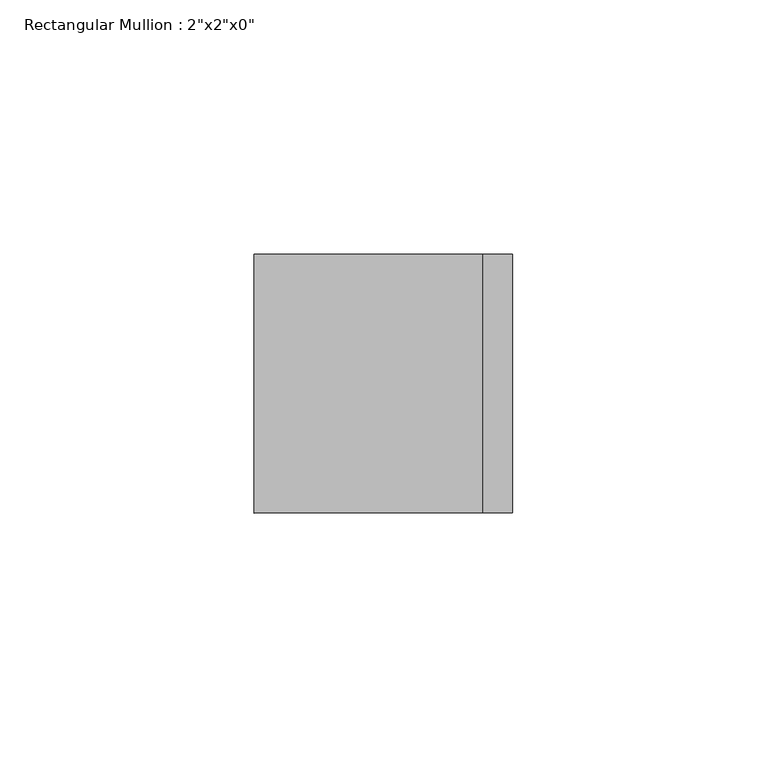
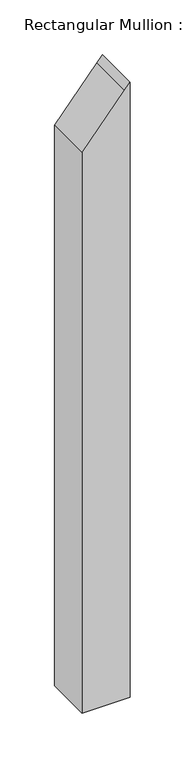
"""IFC4 building model written with IfcOpenShell, lengths in millimetres: member geometry."""

from ifc_helpers import new_model, si_unit, frame, origin, place, context, project, spatial, polyline, outline, extrude, source, transform, mapped, element, save


def member_0fb827e6(model_context):
    return source(origin(), model_context, "Body", "SweptSolid", [
        extrude(outline(polyline([(-9.185186, 25.4), (-16.2458946, 19.5251353), (-70.2391876, -25.4), (-696.6605611, -25.4), (-696.6605611, 25.4), (-9.185186, 25.4)])), frame((0.0, -25.4, 0.0), z_axis=(0.0, 1.0, 0.0), x_axis=(0.0, 0.0, 1.0)), (0.0, 0.0, 1.0), 50.8),
    ])


if __name__ == "__main__":
    model = new_model("IFC4")
    model_context = context("Model", 3, world=origin())
    ifc_project = project(units=[si_unit("LENGTHUNIT", "METRE", prefix="MILLI")], contexts=[model_context])
    site = spatial("IfcSite", under=ifc_project)
    building = spatial("IfcBuilding", under=site)
    placement = place(None, origin())
    member_shape = member_0fb827e6(model_context)
    element("IfcMember", 1, ObjectType="Rectangular Mullion : 2\"x2\"x0\"", at=placement, inside=building, context=model_context, shape_type="MappedRepresentation", body=[
        mapped(member_shape, transform((0.0, 0.0, 0.0), x_axis=(1.0, 0.0, 0.0), y_axis=(0.0, 1.0, 0.0), z_axis=(0.0, 0.0, 1.0))),
    ])
    save(model, "model.ifc")
